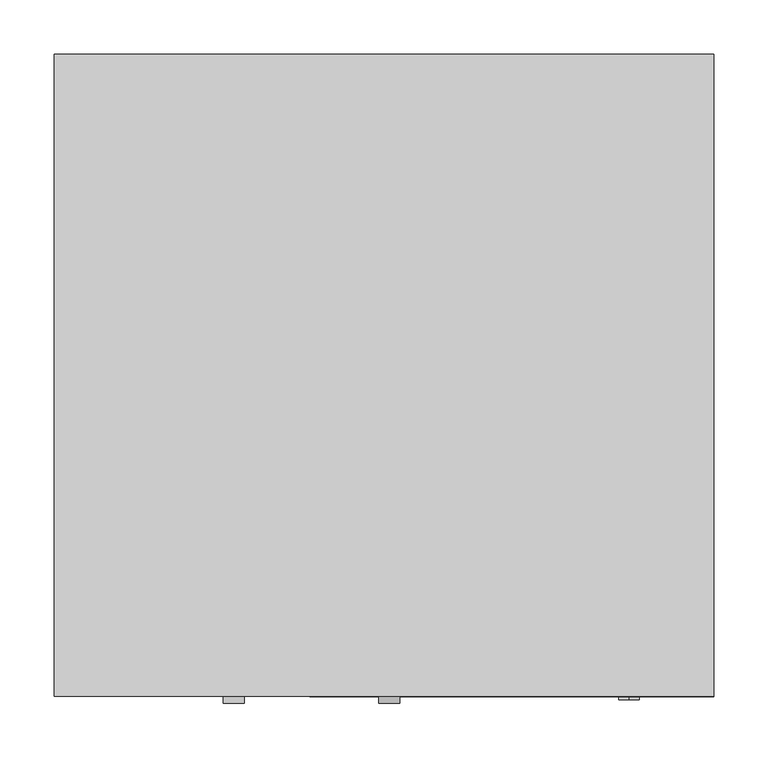
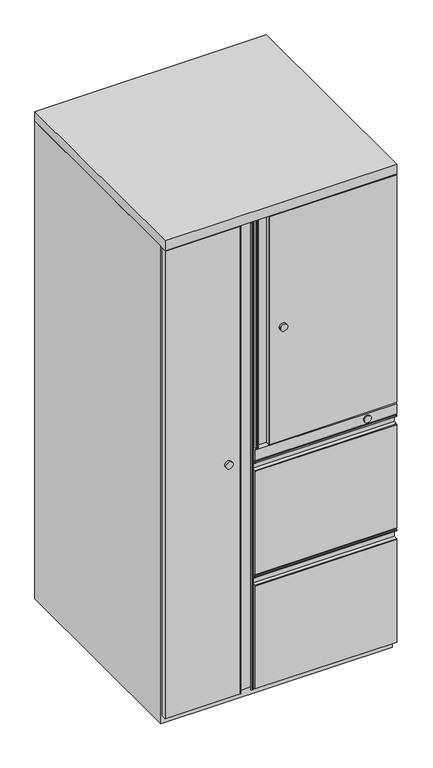
"""IFC4 building model written with IfcOpenShell, lengths in millimetres: furniture geometry."""

from ifc_helpers import new_model, si_unit, point, frame, frame_2d, origin, origin_with_axes, place, context, project, spatial, polyline, circle_curve, trimmed, segment, composite_curve, outline, extrude, source, transform, mapped, element, save
from ifc_brep_helpers import plane_surface, cylinder_surface, advanced_brep


def furniture_0dc410d8(model_context):
    return source(origin(), model_context, "Body", "SolidModel", [
        advanced_brep(
        [(22.225, 12.7, 1330.3242063), (-344.5236429, 12.7, 1330.3242063), (-346.0750266, 11.1475226, 1330.3242063), (-346.0750266, 1.7665362, 1330.3242063), (-344.5241294, 0.215639, 1330.3242063), (-340.8902414, 0.215639, 1330.3242063), (-341.0399101, 2.5950506, 1330.3242063), (-340.9618908, 0.9770345, 1330.3242063), (-344.525156, 0.9770345, 1330.3242063), (-345.312608, 1.7644137, 1330.3242063), (-345.312608, 11.1497012, 1330.3242063), (-344.5223945, 11.9379504, 1330.3242063), (-312.4398438, 11.9379504, 1330.3242063), (-312.4398438, 1.1719082, 1330.3242063), (-311.312914, 0.0, 1330.3242063), (22.225, 0.0, 1330.3242063), (22.225, 12.7, 699.5914063), (22.225, 0.0, 699.5914063), (-311.312914, 0.0, 699.5914063), (-312.4398438, 1.1719082, 699.5914063), (-312.4398438, 11.9379504, 699.5914063), (-344.5223945, 11.9379504, 699.5914063), (-345.312608, 11.1497012, 699.5914063), (-345.312608, 1.7644137, 699.5914063), (-344.525156, 0.9770345, 699.5914063), (-340.9618908, 0.9770345, 699.5914063), (-341.0399101, 2.5950506, 699.5914063), (-340.8902414, 0.215639, 699.5914063), (-344.5241294, 0.215639, 699.5914063), (-346.0750266, 1.7665362, 699.5914063), (-346.0750266, 11.1475226, 699.5914063), (-344.5234502, 12.699099, 699.5914063)],
        [
            (0, 1),
            (1, 2, circle_curve(frame((-344.5234502, 11.1475226, 1330.3242063), z_axis=(0.0, 0.0, 1.0), x_axis=(1.0, 0.0, 0.0)), 1.5515764)),
            (2, 3),
            (3, 4, circle_curve(frame((-344.5241294, 1.7665362, 1330.3242063), z_axis=(0.0, 0.0, 1.0), x_axis=(1.0, 0.0, 0.0)), 1.5508972)),
            (4, 5),
            (5, 6, circle_curve(frame((-340.8902414, 1.410052, 1330.3242063), z_axis=(0.0, 0.0, 1.0), x_axis=(1.0, 0.0, 0.0)), 1.194413)),
            (6, 7),
            (7, 8),
            (8, 9),
            (9, 10),
            (10, 11),
            (11, 12),
            (12, 13),
            (13, 14, circle_curve(frame((-311.2670379, 1.1719082, 1330.3242063), z_axis=(0.0, 0.0, 1.0), x_axis=(1.0, 0.0, 0.0)), 1.1728058)),
            (14, 15),
            (15, 0),
            (16, 17),
            (17, 18),
            (18, 19, circle_curve(frame((-311.2670379, 1.1719082, 699.5914063), z_axis=(0.0, 0.0, -1.0), x_axis=(1.0, 0.0, 0.0)), 1.1728058)),
            (19, 20),
            (20, 21),
            (21, 22),
            (22, 23),
            (23, 24),
            (24, 25),
            (25, 26),
            (26, 27, circle_curve(frame((-340.8902414, 1.410052, 699.5914063), z_axis=(0.0, 0.0, -1.0), x_axis=(1.0, 0.0, 0.0)), 1.194413)),
            (27, 28),
            (28, 29, circle_curve(frame((-344.5241294, 1.7665362, 699.5914063), z_axis=(0.0, 0.0, -1.0), x_axis=(1.0, 0.0, 0.0)), 1.5508972)),
            (29, 30),
            (30, 31, circle_curve(frame((-344.5234502, 11.1475226, 699.5914063), z_axis=(0.0, 0.0, -1.0), x_axis=(1.0, 0.0, 0.0)), 1.5515764)),
            (31, 16),
            (0, 16),
            (31, 1),
            (30, 2),
            (29, 3),
            (28, 4),
            (27, 5),
            (26, 6),
            (25, 7),
            (24, 8),
            (23, 9),
            (22, 10),
            (21, 11),
            (20, 12),
            (19, 13),
            (18, 14),
            (17, 15),
        ],
        [
            plane_surface(frame((-344.5236429, 12.7, 1330.3242063), z_axis=(0.0, 0.0, 1.0), x_axis=(-1.0, 0.0, 0.0))),
            plane_surface(frame((-344.5236429, 12.7, 699.5914063), z_axis=(0.0, 0.0, -1.0), x_axis=(1.0, 0.0, 0.0))),
            plane_surface(frame((22.225, 12.7, 1330.3242063), z_axis=(0.0, 1.0, 0.0), x_axis=(0.0, 0.0, -1.0))),
            cylinder_surface(frame((-344.5234502, 11.1475226, 699.5914063), z_axis=(0.0, 0.0, 1.0), x_axis=(1.0, 0.0, 0.0)), 1.5515764),
            plane_surface(frame((-346.0750266, 11.1475226, 1330.3242063), z_axis=(-1.0, 0.0, 0.0), x_axis=(0.0, 0.0, -1.0))),
            cylinder_surface(frame((-344.5241294, 1.7665362, 699.5914063), z_axis=(0.0, 0.0, 1.0), x_axis=(1.0, 0.0, 0.0)), 1.5508972),
            plane_surface(frame((-344.5241294, 0.215639, 1330.3242063), z_axis=(0.0, -1.0, 0.0), x_axis=(0.0, 0.0, -1.0))),
            cylinder_surface(frame((-340.8902414, 1.410052, 699.5914063), z_axis=(0.0, 0.0, 1.0), x_axis=(1.0, 0.0, 0.0)), 1.194413),
            plane_surface(frame((-341.0399101, 2.5950506, 1330.3242063), z_axis=(-0.9988394810560136, -0.048163171446172395, 0.0), x_axis=(0.0, 0.0, -1.0))),
            plane_surface(frame((-340.9618908, 0.9770345, 1330.3242063), z_axis=(0.0, 1.0, 0.0), x_axis=(0.0, 0.0, -1.0))),
            plane_surface(frame((-344.525156, 0.9770345, 1330.3242063), z_axis=(0.7070741512595924, 0.7071394096078417, 0.0), x_axis=(0.0, 0.0, -1.0))),
            plane_surface(frame((-345.312608, 1.7644137, 1330.3242063), z_axis=(1.0, 0.0, 0.0), x_axis=(0.0, 0.0, -1.0))),
            plane_surface(frame((-345.312608, 11.1497012, 1330.3242063), z_axis=(0.7062263024369049, -0.707986164939893, 0.0), x_axis=(0.0, 0.0, -1.0))),
            plane_surface(frame((-344.5223945, 11.9379504, 1330.3242063), z_axis=(0.0, -1.0, 0.0), x_axis=(0.0, 0.0, -1.0))),
            plane_surface(frame((-312.4398438, 11.9379504, 1330.3242063), z_axis=(-1.0, 0.0, 0.0), x_axis=(0.0, 0.0, -1.0))),
            cylinder_surface(frame((-311.2670379, 1.1719082, 699.5914063), z_axis=(0.0, 0.0, 1.0), x_axis=(1.0, 0.0, 0.0)), 1.1728058),
            plane_surface(frame((-311.312914, 0.0, 1330.3242063), z_axis=(0.0, -1.0, 0.0), x_axis=(0.0, 0.0, -1.0))),
            plane_surface(frame((22.225, 0.0, 1330.3242063), z_axis=(1.0, 0.0, 0.0), x_axis=(0.0, 0.0, -1.0))),
        ],
        [
            (0, [[1, 2, 3, 4, 5, 6, 7, 8, 9, 10, 11, 12, 13, 14, 15, 16]]),
            (1, [[17, 18, 19, 20, 21, 22, 23, 24, 25, 26, 27, 28, 29, 30, 31, 32]]),
            (2, [[-1, 33, -32, 34]]),
            (3, [[-2, -34, -31, 35]]),
            (4, [[-3, -35, -30, 36]]),
            (5, [[-4, -36, -29, 37]]),
            (6, [[-5, -37, -28, 38]]),
            (7, [[-6, -38, -27, 39]]),
            (8, [[-7, -39, -26, 40]]),
            (9, [[-8, -40, -25, 41]]),
            (10, [[-9, -41, -24, 42]]),
            (11, [[-10, -42, -23, 43]]),
            (12, [[-11, -43, -22, 44]]),
            (13, [[-12, -44, -21, 45]]),
            (14, [[-13, -45, -20, 46]]),
            (15, [[-14, -46, -19, 47]]),
            (16, [[-15, -47, -18, 48]]),
            (17, [[-16, -48, -17, -33]]),
        ],
    ),
        extrude(outline(composite_curve([segment(trimmed(circle_curve(frame_2d((1014.9578063, -276.225)), 9.525), [point((1014.9578063, -266.7))], [point((1014.9578063, -285.75))], False, "CARTESIAN"), True, "CONTINUOUS"), segment(trimmed(circle_curve(frame_2d((1014.9578063, -276.225)), 9.525), [point((1014.9578063, -285.75))], [point((1014.9578063, -266.7))], False, "CARTESIAN"), True, "CONTINUOUS")], self_intersect=False)), frame((0.0, -6.35, 0.0), z_axis=(0.0, 1.0, 0.0), x_axis=(0.0, 0.0, 1.0)), (0.0, 0.0, 1.0), 6.35),
        advanced_brep(
        [(22.225, 12.6990857, 664.7023431), (22.225, 11.1475226, 666.2539062), (22.225, 1.7665794, 666.2539062), (22.225, 0.2157287, 664.7030555), (22.225, 0.2157287, 661.0973138), (22.225, 2.5948871, 661.2328917), (22.225, 0.9772377, 661.140797), (22.225, 0.9770345, 664.7040623), (22.225, 1.7644137, 665.4915142), (22.225, 11.1497012, 665.4915142), (22.225, 11.9379504, 664.7013007), (22.225, 11.9379504, 639.3735723), (22.225, 1.1719082, 639.3735723), (22.225, 0.0, 638.2466425), (22.225, 0.0, 351.9289062), (22.225, 12.6999833, 351.9289062), (-349.25, 12.6999833, 664.7025491), (-349.25, 12.6999833, 351.9289062), (-349.25, 0.0, 351.9289062), (-349.25, 0.0, 638.2466425), (-349.25, 1.1719082, 639.3735723), (-349.25, 11.9379504, 639.3735723), (-349.25, 11.9379504, 664.7013007), (-349.25, 11.1497012, 665.4915142), (-349.25, 1.7644137, 665.4915142), (-349.25, 0.9770345, 664.7040623), (-349.25, 0.9772377, 661.140797), (-349.25, 2.5948871, 661.2328917), (-349.25, 0.2157287, 661.0973138), (-349.25, 0.2157287, 664.7030555), (-349.25, 1.7665794, 666.2539062), (-349.25, 11.1475226, 666.2539062)],
        [
            (0, 1, circle_curve(frame((22.225, 11.1475226, 664.7023431), z_axis=(1.0, 0.0, 0.0), x_axis=(0.0, 1.0, 0.0)), 1.5515631)),
            (1, 2),
            (2, 3, circle_curve(frame((22.225, 1.7665794, 664.7030555), z_axis=(1.0, 0.0, 0.0), x_axis=(0.0, 1.0, 0.0)), 1.5508507)),
            (3, 4),
            (4, 5, circle_curve(frame((22.225, 1.4091709, 661.0973138), z_axis=(1.0, 0.0, 0.0), x_axis=(0.0, 1.0, 0.0)), 1.1934422)),
            (5, 6),
            (6, 7),
            (7, 8),
            (8, 9),
            (9, 10),
            (10, 11),
            (11, 12),
            (12, 13, circle_curve(frame((22.225, 1.1719082, 638.2007664), z_axis=(1.0, 0.0, 0.0), x_axis=(0.0, 1.0, 0.0)), 1.1728058)),
            (13, 14),
            (14, 15),
            (15, 0),
            (16, 17),
            (17, 18),
            (18, 19),
            (19, 20, circle_curve(frame((-349.25, 1.1719082, 638.2007664), z_axis=(-1.0, 0.0, 0.0), x_axis=(0.0, 1.0, 0.0)), 1.1728058)),
            (20, 21),
            (21, 22),
            (22, 23),
            (23, 24),
            (24, 25),
            (25, 26),
            (26, 27),
            (27, 28, circle_curve(frame((-349.25, 1.4091709, 661.0973138), z_axis=(-1.0, 0.0, 0.0), x_axis=(0.0, 1.0, 0.0)), 1.1934422)),
            (28, 29),
            (29, 30, circle_curve(frame((-349.25, 1.7665794, 664.7030555), z_axis=(-1.0, 0.0, 0.0), x_axis=(0.0, 1.0, 0.0)), 1.5508507)),
            (30, 31),
            (31, 16, circle_curve(frame((-349.25, 11.1475226, 664.7023431), z_axis=(-1.0, 0.0, 0.0), x_axis=(0.0, 1.0, 0.0)), 1.5515631)),
            (0, 16),
            (31, 1),
            (30, 2),
            (29, 3),
            (28, 4),
            (27, 5),
            (26, 6),
            (25, 7),
            (24, 8),
            (23, 9),
            (22, 10),
            (21, 11),
            (20, 12),
            (19, 13),
            (18, 14),
            (17, 15),
        ],
        [
            plane_surface(frame((22.225, 12.6990857, 664.7023431), z_axis=(1.0, 0.0, 0.0), x_axis=(0.0, 0.0, 1.0))),
            plane_surface(frame((-349.25, 12.6990857, 664.7023431), z_axis=(-1.0, 0.0, 0.0), x_axis=(0.0, 0.0, -1.0))),
            cylinder_surface(frame((-349.25, 11.1475226, 664.7023431), z_axis=(1.0, 0.0, 0.0), x_axis=(0.0, 1.0, 0.0)), 1.5515631),
            plane_surface(frame((22.225, 11.1475226, 666.2539062), z_axis=(0.0, 0.0, 1.0), x_axis=(-1.0, 0.0, 0.0))),
            cylinder_surface(frame((-349.25, 1.7665794, 664.7030555), z_axis=(1.0, 0.0, 0.0), x_axis=(0.0, 1.0, 0.0)), 1.5508507),
            plane_surface(frame((22.225, 0.2157287, 664.7030555), z_axis=(0.0, -1.0, 0.0), x_axis=(-1.0, 0.0, 0.0))),
            cylinder_surface(frame((-349.25, 1.4091709, 661.0973138), z_axis=(1.0, 0.0, 0.0), x_axis=(0.0, 1.0, 0.0)), 1.1934422),
            plane_surface(frame((22.225, 2.5948871, 661.2328917), z_axis=(0.0, -0.056839118404105105, 0.9983833505317705), x_axis=(-1.0, 0.0, 0.0))),
            plane_surface(frame((22.225, 0.9772377, 661.140797), z_axis=(0.0, 0.99999999837299, 5.704401746981278e-05), x_axis=(-1.0, 0.0, 0.0))),
            plane_surface(frame((22.225, 0.9770345, 664.7040623), z_axis=(0.0, 0.7071394096157116, -0.7070741512517218), x_axis=(-1.0, 0.0, 0.0))),
            plane_surface(frame((22.225, 1.7644137, 665.4915142), z_axis=(0.0, 0.0, -1.0), x_axis=(-1.0, 0.0, 0.0))),
            plane_surface(frame((22.225, 11.1497012, 665.4915142), z_axis=(0.0, -0.707986164947673, -0.7062263024291056), x_axis=(-1.0, 0.0, 0.0))),
            plane_surface(frame((22.225, 11.9379504, 664.7013007), z_axis=(0.0, -1.0, 0.0), x_axis=(-1.0, 0.0, 0.0))),
            plane_surface(frame((22.225, 11.9379504, 639.3735723), z_axis=(0.0, 0.0, 1.0), x_axis=(-1.0, 0.0, 0.0))),
            cylinder_surface(frame((-349.25, 1.1719082, 638.2007664), z_axis=(1.0, 0.0, 0.0), x_axis=(0.0, 1.0, 0.0)), 1.1728058),
            plane_surface(frame((22.225, 0.0, 638.2466425), z_axis=(0.0, -1.0, 0.0), x_axis=(-1.0, 0.0, 0.0))),
            plane_surface(frame((22.225, 0.0, 351.9289062), z_axis=(0.0, 0.0, -1.0), x_axis=(-1.0, 0.0, 0.0))),
            plane_surface(frame((22.225, 12.6999833, 351.9289062), z_axis=(0.0, 1.0, 0.0), x_axis=(-1.0, 0.0, 0.0))),
        ],
        [
            (0, [[1, 2, 3, 4, 5, 6, 7, 8, 9, 10, 11, 12, 13, 14, 15, 16]]),
            (1, [[17, 18, 19, 20, 21, 22, 23, 24, 25, 26, 27, 28, 29, 30, 31, 32]]),
            (2, [[-1, 33, -32, 34]]),
            (3, [[-2, -34, -31, 35]]),
            (4, [[-3, -35, -30, 36]]),
            (5, [[-4, -36, -29, 37]]),
            (6, [[-5, -37, -28, 38]]),
            (7, [[-6, -38, -27, 39]]),
            (8, [[-7, -39, -26, 40]]),
            (9, [[-8, -40, -25, 41]]),
            (10, [[-9, -41, -24, 42]]),
            (11, [[-10, -42, -23, 43]]),
            (12, [[-11, -43, -22, 44]]),
            (13, [[-12, -44, -21, 45]]),
            (14, [[-13, -45, -20, 46]]),
            (15, [[-14, -46, -19, 47]]),
            (16, [[-15, -47, -18, 48]]),
            (17, [[-16, -48, -17, -33]]),
        ],
    ),
        advanced_brep(
        [(22.225, 12.6990857, 347.2023431), (22.225, 11.1475226, 348.7539062), (22.225, 1.7563342, 348.7539062), (22.225, 0.1986534, 347.1962254), (22.225, 0.1986534, 343.8886037), (22.225, 2.1992497, 344.4917855), (22.225, 0.9771932, 344.4222124), (22.225, 0.9770345, 347.2040623), (22.225, 1.7644137, 347.9915142), (22.225, 11.1497012, 347.9915142), (22.225, 11.9379504, 347.2013007), (22.225, 11.9379504, 321.8735723), (22.225, 1.1719082, 321.8735723), (22.225, 0.0, 320.7466425), (22.225, 0.0, 36.0164062), (22.225, 12.6999833, 36.0164062), (-349.25, 12.6999833, 347.2025491), (-349.25, 12.6999833, 36.0164063), (-349.25, 0.0, 36.0164063), (-349.25, 0.0, 320.7466425), (-349.25, 1.1719082, 321.8735723), (-349.25, 11.9379504, 321.8735723), (-349.25, 11.9379504, 347.2013007), (-349.25, 11.1497012, 347.9915142), (-349.25, 1.7644137, 347.9915142), (-349.25, 0.9770345, 347.2040623), (-349.25, 0.9771932, 344.4222124), (-349.25, 2.1992497, 344.4917855), (-349.25, 0.1986534, 343.8886037), (-349.25, 0.1986534, 347.1962254), (-349.25, 1.7563342, 348.7539063), (-349.25, 11.1475226, 348.7539063)],
        [
            (0, 1, circle_curve(frame((22.225, 11.1475226, 347.2023431), z_axis=(1.0, 0.0, 0.0), x_axis=(0.0, 1.0, 0.0)), 1.5515631)),
            (1, 2),
            (2, 3, circle_curve(frame((22.225, 1.7563342, 347.1962254), z_axis=(1.0, 0.0, 0.0), x_axis=(0.0, 1.0, 0.0)), 1.5576808)),
            (3, 4),
            (4, 5, circle_curve(frame((22.225, 1.2898815, 343.8886037), z_axis=(1.0, 0.0, 0.0), x_axis=(0.0, 1.0, 0.0)), 1.0912281)),
            (5, 6),
            (6, 7),
            (7, 8),
            (8, 9),
            (9, 10),
            (10, 11),
            (11, 12),
            (12, 13, circle_curve(frame((22.225, 1.1719082, 320.7007664), z_axis=(1.0, 0.0, 0.0), x_axis=(0.0, 1.0, 0.0)), 1.1728058)),
            (13, 14),
            (14, 15),
            (15, 0),
            (16, 17),
            (17, 18),
            (18, 19),
            (19, 20, circle_curve(frame((-349.25, 1.1719082, 320.7007664), z_axis=(-1.0, 0.0, 0.0), x_axis=(0.0, 1.0, 0.0)), 1.1728058)),
            (20, 21),
            (21, 22),
            (22, 23),
            (23, 24),
            (24, 25),
            (25, 26),
            (26, 27),
            (27, 28, circle_curve(frame((-349.25, 1.2898815, 343.8886037), z_axis=(-1.0, 0.0, 0.0), x_axis=(0.0, 1.0, 0.0)), 1.0912281)),
            (28, 29),
            (29, 30, circle_curve(frame((-349.25, 1.7563342, 347.1962254), z_axis=(-1.0, 0.0, 0.0), x_axis=(0.0, 1.0, 0.0)), 1.5576808)),
            (30, 31),
            (31, 16, circle_curve(frame((-349.25, 11.1475226, 347.2023431), z_axis=(-1.0, 0.0, 0.0), x_axis=(0.0, 1.0, 0.0)), 1.5515631)),
            (0, 16),
            (31, 1),
            (30, 2),
            (29, 3),
            (28, 4),
            (27, 5),
            (26, 6),
            (25, 7),
            (24, 8),
            (23, 9),
            (22, 10),
            (21, 11),
            (20, 12),
            (19, 13),
            (18, 14),
            (17, 15),
        ],
        [
            plane_surface(frame((22.225, 12.6990857, 347.2023431), z_axis=(1.0, 0.0, 0.0), x_axis=(0.0, 0.0, 1.0))),
            plane_surface(frame((-349.25, 12.6990857, 347.2023431), z_axis=(-1.0, 0.0, 0.0), x_axis=(0.0, 0.0, -1.0))),
            cylinder_surface(frame((-349.25, 11.1475226, 347.2023431), z_axis=(1.0, 0.0, 0.0), x_axis=(0.0, 1.0, 0.0)), 1.5515631),
            plane_surface(frame((22.225, 11.1475226, 348.7539062), z_axis=(0.0, 0.0, 1.0), x_axis=(-1.0, 0.0, 0.0))),
            cylinder_surface(frame((-349.25, 1.7563342, 347.1962254), z_axis=(1.0, 0.0, 0.0), x_axis=(0.0, 1.0, 0.0)), 1.5576808),
            plane_surface(frame((22.225, 0.1986534, 347.1962254), z_axis=(0.0, -1.0, 0.0), x_axis=(-1.0, 0.0, 0.0))),
            cylinder_surface(frame((-349.25, 1.2898815, 343.8886037), z_axis=(1.0, 0.0, 0.0), x_axis=(0.0, 1.0, 0.0)), 1.0912281),
            plane_surface(frame((22.225, 2.1992497, 344.4917855), z_axis=(0.0, -0.05683911841492139, 0.9983833505311548), x_axis=(-1.0, 0.0, 0.0))),
            plane_surface(frame((22.225, 0.9771932, 344.4222124), z_axis=(0.0, 0.99999999837299, 5.704401743004593e-05), x_axis=(-1.0, 0.0, 0.0))),
            plane_surface(frame((22.225, 0.9770345, 347.2040623), z_axis=(0.0, 0.7071394095992428, -0.7070741512681923), x_axis=(-1.0, 0.0, 0.0))),
            plane_surface(frame((22.225, 1.7644137, 347.9915142), z_axis=(0.0, 0.0, -1.0), x_axis=(-1.0, 0.0, 0.0))),
            plane_surface(frame((22.225, 11.1497012, 347.9915142), z_axis=(0.0, -0.7079861649312232, -0.7062263024455964), x_axis=(-1.0, 0.0, 0.0))),
            plane_surface(frame((22.225, 11.9379504, 347.2013007), z_axis=(0.0, -1.0, 0.0), x_axis=(-1.0, 0.0, 0.0))),
            plane_surface(frame((22.225, 11.9379504, 321.8735723), z_axis=(0.0, 0.0, 1.0), x_axis=(-1.0, 0.0, 0.0))),
            cylinder_surface(frame((-349.25, 1.1719082, 320.7007664), z_axis=(1.0, 0.0, 0.0), x_axis=(0.0, 1.0, 0.0)), 1.1728058),
            plane_surface(frame((22.225, 0.0, 320.7466425), z_axis=(0.0, -1.0, 0.0), x_axis=(-1.0, 0.0, 0.0))),
            plane_surface(frame((22.225, 0.0, 36.0164062), z_axis=(0.0, 0.0, -1.0), x_axis=(-1.0, 0.0, 0.0))),
            plane_surface(frame((22.225, 12.6999833, 36.0164062), z_axis=(0.0, 1.0, 0.0), x_axis=(-1.0, 0.0, 0.0))),
        ],
        [
            (0, [[1, 2, 3, 4, 5, 6, 7, 8, 9, 10, 11, 12, 13, 14, 15, 16]]),
            (1, [[17, 18, 19, 20, 21, 22, 23, 24, 25, 26, 27, 28, 29, 30, 31, 32]]),
            (2, [[-1, 33, -32, 34]]),
            (3, [[-2, -34, -31, 35]]),
            (4, [[-3, -35, -30, 36]]),
            (5, [[-4, -36, -29, 37]]),
            (6, [[-5, -37, -28, 38]]),
            (7, [[-6, -38, -27, 39]]),
            (8, [[-7, -39, -26, 40]]),
            (9, [[-8, -40, -25, 41]]),
            (10, [[-9, -41, -24, 42]]),
            (11, [[-10, -42, -23, 43]]),
            (12, [[-11, -43, -22, 44]]),
            (13, [[-12, -44, -21, 45]]),
            (14, [[-13, -45, -20, 46]]),
            (15, [[-14, -46, -19, 47]]),
            (16, [[-15, -47, -18, 48]]),
            (17, [[-16, -48, -17, -33]]),
        ],
    ),
        extrude(outline(polyline([(22.225, 15.875), (22.225, 0.0), (-349.25, 0.0), (-349.25, 15.875), (22.225, 15.875)])), frame((0.0, 0.0, 667.8414063), z_axis=(0.0, 0.0, 1.0), x_axis=(1.0, 0.0, 0.0)), (0.0, 0.0, 1.0), 28.575),
        extrude(outline(composite_curve([segment(trimmed(circle_curve(frame_2d((682.1289063, -55.5625)), 9.525), [point((672.6039063, -55.5625))], [point((691.6539063, -55.5625))], False, "CARTESIAN"), True, "CONTINUOUS"), segment(trimmed(circle_curve(frame_2d((682.1289063, -55.5625)), 9.525), [point((691.6539063, -55.5625))], [point((672.6039063, -55.5625))], False, "CARTESIAN"), True, "CONTINUOUS")], self_intersect=False)), frame((0.0, -3.1749879, 0.0), z_axis=(0.0, 1.0, 0.0), x_axis=(0.0, 0.0, 1.0)), (0.0, 0.0, 1.0), 3.1749879),
        advanced_brep(
        [(-584.2, 12.7, 1330.3242062), (-584.2, 0.0, 1330.3242062), (-387.187086, 0.0, 1330.3242062), (-386.0601562, 1.1719082, 1330.3242062), (-386.0601562, 11.9379504, 1330.3242062), (-353.9776055, 11.9379504, 1330.3242062), (-353.187392, 11.1497012, 1330.3242062), (-353.187392, 1.7644137, 1330.3242062), (-353.974844, 0.9770345, 1330.3242062), (-357.5381092, 0.9772377, 1330.3242062), (-357.4600899, 2.5954587, 1330.3242062), (-357.6097586, 0.215639, 1330.3242062), (-353.9758706, 0.215639, 1330.3242062), (-352.4249734, 1.7665362, 1330.3242062), (-352.4249734, 11.1475226, 1330.3242062), (-353.9765498, 12.699099, 1330.3242062), (-584.2, 12.7, 36.0164062), (-353.9763571, 12.7, 36.0164062), (-352.4249734, 11.1475226, 36.0164062), (-352.4249734, 1.7665362, 36.0164062), (-353.9758706, 0.215639, 36.0164062), (-357.6097586, 0.215639, 36.0164062), (-357.4600899, 2.5954587, 36.0164062), (-357.5381092, 0.9772377, 36.0164062), (-353.974844, 0.9770345, 36.0164062), (-353.187392, 1.7644137, 36.0164062), (-353.187392, 11.1497012, 36.0164062), (-353.9776055, 11.9379504, 36.0164062), (-386.0601562, 11.9379504, 36.0164062), (-386.0601562, 1.1719082, 36.0164062), (-387.187086, 0.0, 36.0164062), (-584.2, 0.0, 36.0164062)],
        [
            (0, 1),
            (1, 2),
            (2, 3, circle_curve(frame((-387.2329621, 1.1719082, 1330.3242062), z_axis=(0.0, 0.0, 1.0), x_axis=(1.0, 0.0, 0.0)), 1.1728058)),
            (3, 4),
            (4, 5),
            (5, 6),
            (6, 7),
            (7, 8),
            (8, 9),
            (9, 10),
            (10, 11, circle_curve(frame((-357.6097586, 1.4102552, 1330.3242062), z_axis=(0.0, 0.0, 1.0), x_axis=(1.0, 0.0, 0.0)), 1.1946163)),
            (11, 12),
            (12, 13, circle_curve(frame((-353.9758706, 1.7665362, 1330.3242062), z_axis=(0.0, 0.0, 1.0), x_axis=(1.0, 0.0, 0.0)), 1.5508972)),
            (13, 14),
            (14, 15, circle_curve(frame((-353.9765498, 11.1475226, 1330.3242062), z_axis=(0.0, 0.0, 1.0), x_axis=(1.0, 0.0, 0.0)), 1.5515764)),
            (15, 0),
            (16, 17),
            (17, 18, circle_curve(frame((-353.9765498, 11.1475226, 36.0164062), z_axis=(0.0, 0.0, -1.0), x_axis=(1.0, 0.0, 0.0)), 1.5515764)),
            (18, 19),
            (19, 20, circle_curve(frame((-353.9758706, 1.7665362, 36.0164062), z_axis=(0.0, 0.0, -1.0), x_axis=(1.0, 0.0, 0.0)), 1.5508972)),
            (20, 21),
            (21, 22, circle_curve(frame((-357.6097586, 1.4102552, 36.0164062), z_axis=(0.0, 0.0, -1.0), x_axis=(1.0, 0.0, 0.0)), 1.1946163)),
            (22, 23),
            (23, 24),
            (24, 25),
            (25, 26),
            (26, 27),
            (27, 28),
            (28, 29),
            (29, 30, circle_curve(frame((-387.2329621, 1.1719082, 36.0164062), z_axis=(0.0, 0.0, -1.0), x_axis=(1.0, 0.0, 0.0)), 1.1728058)),
            (30, 31),
            (31, 16),
            (0, 16),
            (31, 1),
            (30, 2),
            (29, 3),
            (28, 4),
            (27, 5),
            (26, 6),
            (25, 7),
            (24, 8),
            (23, 9),
            (22, 10),
            (21, 11),
            (20, 12),
            (19, 13),
            (18, 14),
            (17, 15),
        ],
        [
            plane_surface(frame((-584.2, 960.2460168, 1330.3242062), z_axis=(0.0, 0.0, 1.0), x_axis=(0.0, -1.0, 0.0))),
            plane_surface(frame((-584.2, 960.2460168, 36.0164062), z_axis=(0.0, 0.0, -1.0), x_axis=(0.0, 1.0, 0.0))),
            plane_surface(frame((-584.2, 12.7, 1330.3242062), z_axis=(-1.0, 0.0, 0.0), x_axis=(0.0, 0.0, -1.0))),
            plane_surface(frame((-584.2, 0.0, 1330.3242062), z_axis=(0.0, -1.0, 0.0), x_axis=(0.0, 0.0, -1.0))),
            cylinder_surface(frame((-387.2329621, 1.1719082, 36.0164062), z_axis=(0.0, 0.0, 1.0), x_axis=(1.0, 0.0, 0.0)), 1.1728058),
            plane_surface(frame((-386.0601562, 1.1719082, 1330.3242062), z_axis=(1.0, 0.0, 0.0), x_axis=(0.0, 0.0, -1.0))),
            plane_surface(frame((-386.0601562, 11.9379504, 1330.3242062), z_axis=(0.0, -1.0, 0.0), x_axis=(0.0, 0.0, -1.0))),
            plane_surface(frame((-353.9776055, 11.9379504, 1330.3242062), z_axis=(-0.7062263024300954, -0.7079861649466855, 0.0), x_axis=(0.0, 0.0, -1.0))),
            plane_surface(frame((-353.187392, 11.1497012, 1330.3242062), z_axis=(-1.0, 0.0, 0.0), x_axis=(0.0, 0.0, -1.0))),
            plane_surface(frame((-353.187392, 1.7644137, 1330.3242062), z_axis=(-0.7070741512638471, 0.7071394096035876, 0.0), x_axis=(0.0, 0.0, -1.0))),
            plane_surface(frame((-353.974844, 0.9770345, 1330.3242062), z_axis=(5.704401746862134e-05, 0.99999999837299, 0.0), x_axis=(0.0, 0.0, -1.0))),
            plane_surface(frame((-357.5381092, 0.9772377, 1330.3242062), z_axis=(0.9988397743850594, -0.04815708781066012, 0.0), x_axis=(0.0, 0.0, -1.0))),
            cylinder_surface(frame((-357.6097586, 1.4102552, 36.0164062), z_axis=(0.0, 0.0, 1.0), x_axis=(1.0, 0.0, 0.0)), 1.1946163),
            plane_surface(frame((-357.6097586, 0.215639, 1330.3242062), z_axis=(0.0, -1.0, 0.0), x_axis=(0.0, 0.0, -1.0))),
            cylinder_surface(frame((-353.9758706, 1.7665362, 36.0164062), z_axis=(0.0, 0.0, 1.0), x_axis=(1.0, 0.0, 0.0)), 1.5508972),
            plane_surface(frame((-352.4249734, 1.7665362, 1330.3242062), z_axis=(1.0, 0.0, 0.0), x_axis=(0.0, 0.0, -1.0))),
            cylinder_surface(frame((-353.9765498, 11.1475226, 36.0164062), z_axis=(0.0, 0.0, 1.0), x_axis=(1.0, 0.0, 0.0)), 1.5515764),
            plane_surface(frame((-353.9763571, 12.7, 1330.3242062), z_axis=(0.0, 1.0, 0.0), x_axis=(0.0, 0.0, -1.0))),
        ],
        [
            (0, [[1, 2, 3, 4, 5, 6, 7, 8, 9, 10, 11, 12, 13, 14, 15, 16]]),
            (1, [[17, 18, 19, 20, 21, 22, 23, 24, 25, 26, 27, 28, 29, 30, 31, 32]]),
            (2, [[-1, 33, -32, 34]]),
            (3, [[-2, -34, -31, 35]]),
            (4, [[-3, -35, -30, 36]]),
            (5, [[-4, -36, -29, 37]]),
            (6, [[-5, -37, -28, 38]]),
            (7, [[-6, -38, -27, 39]]),
            (8, [[-7, -39, -26, 40]]),
            (9, [[-8, -40, -25, 41]]),
            (10, [[-9, -41, -24, 42]]),
            (11, [[-10, -42, -23, 43]]),
            (12, [[-11, -43, -22, 44]]),
            (13, [[-12, -44, -21, 45]]),
            (14, [[-13, -45, -20, 46]]),
            (15, [[-14, -46, -19, 47]]),
            (16, [[-15, -47, -18, 48]]),
            (17, [[-16, -48, -17, -33]]),
        ],
    ),
        extrude(outline(composite_curve([segment(trimmed(circle_curve(frame_2d((683.1703063, -419.1)), 9.525), [point((683.1703063, -428.625))], [point((683.1703063, -409.575))], False, "CARTESIAN"), True, "CONTINUOUS"), segment(trimmed(circle_curve(frame_2d((683.1703063, -419.1)), 9.525), [point((683.1703063, -409.575))], [point((683.1703063, -428.625))], False, "CARTESIAN"), True, "CONTINUOUS")], self_intersect=False)), frame((0.0, -6.35, 0.0), z_axis=(0.0, 1.0, 0.0), x_axis=(0.0, 0.0, 1.0)), (0.0, 0.0, 1.0), 6.35),
        extrude(outline(composite_curve([segment(trimmed(circle_curve(frame_2d((-520.7053455, 529.03374)), 25.4), [point((-546.1053455, 529.03374))], [point((-495.3053455, 529.03374))], False, "CARTESIAN"), True, "CONTINUOUS"), segment(trimmed(circle_curve(frame_2d((-520.7053455, 529.03374)), 25.4), [point((-495.3053455, 529.03374))], [point((-546.1053455, 529.03374))], False, "CARTESIAN"), True, "CONTINUOUS")], self_intersect=False)), origin_with_axes(), (0.0, 0.0, 1.0), 10.6164063),
        extrude(outline(composite_curve([segment(trimmed(circle_curve(frame_2d((-41.275, 529.03374)), 25.4), [point((-66.675, 529.03374))], [point((-15.875, 529.03374))], False, "CARTESIAN"), True, "CONTINUOUS"), segment(trimmed(circle_curve(frame_2d((-41.275, 529.03374)), 25.4), [point((-15.875, 529.03374))], [point((-66.675, 529.03374))], False, "CARTESIAN"), True, "CONTINUOUS")], self_intersect=False)), origin_with_axes(), (0.0, 0.0, 1.0), 10.6164063),
        extrude(outline(composite_curve([segment(trimmed(circle_curve(frame_2d((-41.275, 61.51626)), 25.4), [point((-66.675, 61.51626))], [point((-15.875, 61.51626))], False, "CARTESIAN"), True, "CONTINUOUS"), segment(trimmed(circle_curve(frame_2d((-41.275, 61.51626)), 25.4), [point((-15.875, 61.51626))], [point((-66.675, 61.51626))], False, "CARTESIAN"), True, "CONTINUOUS")], self_intersect=False)), origin_with_axes(), (0.0, 0.0, 1.0), 10.6164063),
        extrude(outline(composite_curve([segment(trimmed(circle_curve(frame_2d((-520.7053455, 61.51626)), 25.4), [point((-546.1053455, 61.51626))], [point((-495.3053455, 61.51626))], False, "CARTESIAN"), True, "CONTINUOUS"), segment(trimmed(circle_curve(frame_2d((-520.7053455, 61.51626)), 25.4), [point((-495.3053455, 61.51626))], [point((-546.1053455, 61.51626))], False, "CARTESIAN"), True, "CONTINUOUS")], self_intersect=False)), origin_with_axes(), (0.0, 0.0, 1.0), 10.6164063),
        extrude(outline(polyline([(22.225, 590.55), (22.225, 19.05), (-584.2, 19.05), (-584.2, 590.55), (22.225, 590.55)])), frame((0.0, 0.0, 10.6164062), z_axis=(0.0, 0.0, 1.0), x_axis=(1.0, 0.0, 0.0)), (0.0, 0.0, 1.0), 1321.3087938),
        extrude(outline(polyline([(22.225, 590.55), (22.225, 0.0), (-584.2, 0.0), (-584.2, 590.55), (22.225, 590.55)])), frame((0.0, 0.0, 1331.9252), z_axis=(0.0, 0.0, 1.0), x_axis=(1.0, 0.0, 0.0)), (0.0, 0.0, 1.0), 26.9748),
    ])


if __name__ == "__main__":
    model = new_model("IFC4")
    model_context = context("Model", 3, world=origin())
    ifc_project = project(units=[si_unit("LENGTHUNIT", "METRE", prefix="MILLI")], contexts=[model_context])
    site = spatial("IfcSite", under=ifc_project)
    building = spatial("IfcBuilding", under=site)
    placement = place(None, origin())
    furniture_shape = furniture_0dc410d8(model_context)
    element("IfcFurniture", 1, at=placement, inside=building, context=model_context, shape_type="MappedRepresentation", body=[
        mapped(furniture_shape, transform((0.0, 0.0, 0.0), x_axis=(1.0, 0.0, 0.0), y_axis=(0.0, 1.0, 0.0), z_axis=(0.0, 0.0, 1.0))),
    ])
    save(model, "model.ifc")
